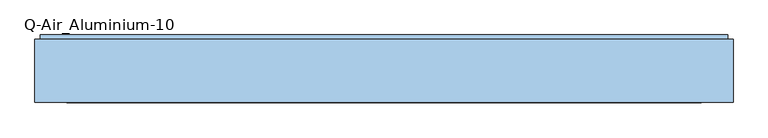
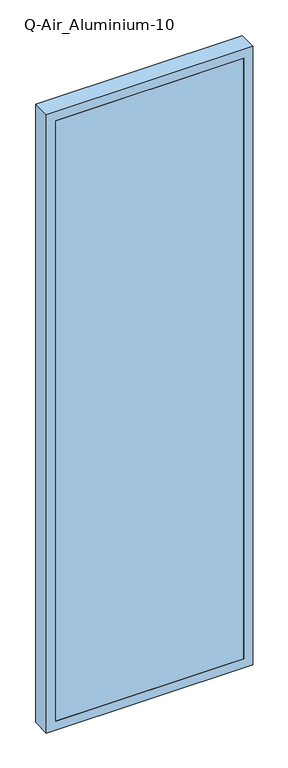
"""IFC4 building model written with IfcOpenShell, lengths in millimetres: window geometry, Q-Air_Aluminium-10."""

import ifcopenshell
import ifcopenshell.guid

model = None  # the IFC model being written
_history = None  # IfcOwnerHistory: only IFC2X3 demands one
_inside = {}  # id of a spatial element -> (the spatial element, [elements in it])
_under = {}  # id of a project, library or spatial element -> (it, [spatial elements below it])
_declared = {}  # id of a project -> (the project, [libraries it declares])
_typed = {}  # id of a type object -> (the type object, [elements of that type])
_made_of = {}  # id of a material, layer set ... -> (it, [elements and type objects made of it])


def new_model(schema):
    """Start an empty IFC model of exactly this schema.

    Asked for "IFC4X3", IfcOpenShell would pick the latest addendum, in which some entities
    have other attributes; the version numbers below select the first issue.
    IFC2X3 requires an IfcOwnerHistory on every rooted entity: one is made here for all.
    """
    global model, _history
    if schema == "IFC4X3":
        model = ifcopenshell.file(schema_version=(4, 3, 0, 0))
    else:
        model = ifcopenshell.file(schema=schema)
    _inside.clear()
    _under.clear()
    _declared.clear()
    _typed.clear()
    _made_of.clear()
    _history = None
    if model.schema == "IFC2X3":
        org = make("IfcOrganization", Name="unknown")
        user = make(
            "IfcPersonAndOrganization",
            ThePerson=make("IfcPerson", FamilyName="unknown"),
            TheOrganization=org,
        )
        app = make(
            "IfcApplication",
            ApplicationDeveloper=org,
            Version="unknown",
            ApplicationFullName="unknown",
            ApplicationIdentifier="unknown",
        )
        _history = make(
            "IfcOwnerHistory",
            OwningUser=user,
            OwningApplication=app,
            ChangeAction="ADDED",
            CreationDate=0,
        )
    return model


def make(cls, **values):
    """One entity of the class cls with the attributes given. An attribute that is None is left unset."""
    return model.create_entity(
        cls, **{name: value for name, value in values.items() if value is not None}
    )


def rooted(cls, **values):
    """An entity with a GlobalId (a new one), such as an element, a storey or a relation."""
    return make(cls, GlobalId=ifcopenshell.guid.new(), OwnerHistory=_history, **values)


def si_unit(unit_type, name, prefix=None):
    """IfcSIUnit, for example si_unit("LENGTHUNIT", "METRE", prefix="MILLI")."""
    return make("IfcSIUnit", UnitType=unit_type, Prefix=prefix, Name=name)


def assignment(units):
    """IfcUnitAssignment: the units of a project."""
    return None if units is None else make("IfcUnitAssignment", Units=units)


def point(xyz):
    """IfcCartesianPoint."""
    return None if xyz is None else make("IfcCartesianPoint", Coordinates=xyz)


def direction(xyz):
    """IfcDirection."""
    return None if xyz is None else make("IfcDirection", DirectionRatios=xyz)


def frame(location, z_axis=None, x_axis=None):
    """IfcAxis2Placement3D, a coordinate frame: its origin and axes. An axis left out is left unset."""
    return make(
        "IfcAxis2Placement3D",
        Location=point(location),
        Axis=direction(z_axis),
        RefDirection=direction(x_axis),
    )


def origin():
    """The frame at (0, 0, 0) with its axes left unset."""
    return frame((0.0, 0.0, 0.0))


def place(relative_to, where):
    """IfcLocalPlacement: puts the frame where relative to a parent placement (None: the world)."""
    return make(
        "IfcLocalPlacement", PlacementRelTo=relative_to, RelativePlacement=where
    )


def context(
    kind, dimensions, precision=None, world=None, true_north=None, identifier=None
):
    """IfcGeometricRepresentationContext, for example the 3D "Model" context."""
    return make(
        "IfcGeometricRepresentationContext",
        ContextIdentifier=identifier,
        ContextType=kind,
        CoordinateSpaceDimension=dimensions,
        Precision=precision,
        WorldCoordinateSystem=world,
        TrueNorth=true_north,
    )


def project(units=None, contexts=None):
    """IfcProject with its units and contexts."""
    return rooted(
        "IfcProject",
        Name="project",
        RepresentationContexts=contexts,
        UnitsInContext=assignment(units),
    )


def spatial(cls, under=None, at=None, **own):
    """A site, building, storey or space (cls), placed at a placement, below another one or the project."""
    s = rooted(cls, ObjectPlacement=at, **own)
    if under is not None:
        _under.setdefault(under.id(), (under, []))[1].append(s)
    return s


def polyline(points):
    """IfcPolyline through the points."""
    return make("IfcPolyline", Points=[point(p) for p in points])


def outline(outer, holes=None, kind="AREA"):
    """IfcArbitraryClosedProfileDef: a profile drawn as a closed curve; with holes, ...WithVoids."""
    if holes is None:
        return make("IfcArbitraryClosedProfileDef", ProfileType=kind, OuterCurve=outer)
    return make(
        "IfcArbitraryProfileDefWithVoids",
        ProfileType=kind,
        OuterCurve=outer,
        InnerCurves=holes,
    )


def extrude(swept, where, along, depth):
    """IfcExtrudedAreaSolid: the profile swept, set in the frame where, extruded along a direction by depth."""
    return make(
        "IfcExtrudedAreaSolid",
        SweptArea=swept,
        Position=where,
        ExtrudedDirection=direction(along),
        Depth=depth,
    )


def shape(context_of_items, identifier, shape_type, items):
    """IfcShapeRepresentation: the items that make up one representation, for example the "Body"."""
    return make(
        "IfcShapeRepresentation",
        ContextOfItems=context_of_items,
        RepresentationIdentifier=identifier,
        RepresentationType=shape_type,
        Items=items,
    )


def source(mapping_origin, context_of_items, identifier, shape_type, items):
    """IfcRepresentationMap: a shape defined once, which mapped items show again and again."""
    return make(
        "IfcRepresentationMap",
        MappingOrigin=mapping_origin,
        MappedRepresentation=shape(context_of_items, identifier, shape_type, items),
    )


def transform(
    local_origin,
    x_axis=None,
    y_axis=None,
    z_axis=None,
    scale=None,
    scale2=None,
    scale3=None,
    uniform=True,
):
    """IfcCartesianTransformationOperator3D, or its non-uniform kind. x_axis, y_axis, z_axis: its Axis1, 2, 3."""
    if uniform:
        return make(
            "IfcCartesianTransformationOperator3D",
            Axis1=direction(x_axis),
            Axis2=direction(y_axis),
            LocalOrigin=point(local_origin),
            Scale=scale,
            Axis3=direction(z_axis),
        )
    return make(
        "IfcCartesianTransformationOperator3DnonUniform",
        Axis1=direction(x_axis),
        Axis2=direction(y_axis),
        LocalOrigin=point(local_origin),
        Scale=scale,
        Axis3=direction(z_axis),
        Scale2=scale2,
        Scale3=scale3,
    )


def mapped(mapping_source, mapping_target):
    """IfcMappedItem: shows the shape of a source again, moved by a transform."""
    return make(
        "IfcMappedItem", MappingSource=mapping_source, MappingTarget=mapping_target
    )


def made_of(thing, what):
    """Note that an element or type object is made of a material, layer set ...; save() writes the relation."""
    if what is not None:
        _made_of.setdefault(what.id(), (what, []))[1].append(thing)
    return thing


def element(
    cls,
    number,
    at=None,
    inside=None,
    cuts=None,
    type_object=None,
    material=None,
    context=None,
    identifier="Body",
    shape_type=None,
    held_by="IfcProductDefinitionShape",
    body=None,
    shapes=None,
    **own,
):
    """One element of the class cls, such as IfcWall. Its Tag is "e" and its number.

    at: its placement. inside: the storey or other place that contains it. cuts: it is an
    opening in that element (IfcRelVoidsElement). A single representation is given by context,
    identifier, shape_type and body (its items); several are given by shapes. held_by: the class
    of the entity that holds the representations. save() writes the other relations.
    """
    e = rooted(cls, Tag="e%d" % number, ObjectPlacement=at, **own)
    if body is not None:
        shapes = [shape(context, identifier, shape_type, body)]
    if shapes is not None:
        e.Representation = make(held_by, Representations=shapes)
    if inside is not None:
        _inside.setdefault(inside.id(), (inside, []))[1].append(e)
    if cuts is not None:
        rooted(
            "IfcRelVoidsElement", RelatingBuildingElement=cuts, RelatedOpeningElement=e
        )
    if type_object is not None:
        _typed.setdefault(type_object.id(), (type_object, []))[1].append(e)
    return made_of(e, material)


def aggregate(whole, parts):
    """IfcRelAggregates: a whole, such as a stair, and the parts it consists of."""
    return rooted("IfcRelAggregates", RelatingObject=whole, RelatedObjects=parts)


def save(model, path):
    """Write the relations noted so far, then the file.

    IfcRelAggregates (storeys below a building ...), IfcRelContainedInSpatialStructure (elements
    in a storey), IfcRelDefinesByType, IfcRelAssociatesMaterial and IfcRelDeclares: one each for
    every whole, place, type object, material and project.
    """
    for whole, parts in _under.values():
        aggregate(whole, parts)
    for where, things in _inside.values():
        rooted(
            "IfcRelContainedInSpatialStructure",
            RelatedElements=things,
            RelatingStructure=where,
        )
    for kind, things in _typed.values():
        rooted("IfcRelDefinesByType", RelatedObjects=things, RelatingType=kind)
    for what, things in _made_of.values():
        rooted("IfcRelAssociatesMaterial", RelatedObjects=things, RelatingMaterial=what)
    for by, libraries in _declared.values():
        rooted("IfcRelDeclares", RelatingContext=by, RelatedDefinitions=libraries)
    model.write(path)


def q_air_aluminium_10_bd054d8a(model_context):
    return source(origin(), model_context, "Body", "SweptSolid", [
        extrude(outline(polyline([(4020.0, 635.0), (4020.0, -635.0), (0.0, -635.0), (0.0, 635.0), (4020.0, 635.0)]), holes=[polyline([(3962.0, 577.0), (58.0, 577.0), (58.0, -577.0), (3962.0, -577.0), (3962.0, 577.0)])]), frame((0.0, 0.0, 0.0), z_axis=(0.0, 1.0, 0.0), x_axis=(0.0, 0.0, 1.0)), (0.0, 0.0, 1.0), 114.5),
        extrude(outline(polyline([(577.0, 0.0), (-577.0, 0.0), (-577.0, 12.5), (577.0, 12.5), (577.0, 0.0)])), frame((0.0, 0.0, 58.0), z_axis=(0.0, 0.0, 1.0), x_axis=(1.0, 0.0, 0.0)), (0.0, 0.0, 1.0), 3904.0),
        extrude(outline(polyline([(625.0, 114.5), (-625.0, 114.5), (-625.0, 122.5), (625.0, 122.5), (625.0, 114.5)])), frame((0.0, 0.0, 10.0), z_axis=(0.0, 0.0, 1.0), x_axis=(1.0, 0.0, 0.0)), (0.0, 0.0, 1.0), 4000.0),
        extrude(outline(polyline([(4010.0, 625.0), (4010.0, -625.0), (10.0, -625.0), (10.0, 625.0), (4010.0, 625.0)]), holes=[polyline([(3962.0, 577.0), (58.0, 577.0), (58.0, -577.0), (3962.0, -577.0), (3962.0, 577.0)])]), frame((0.0, 114.5, 0.0), z_axis=(0.0, 1.0, 0.0), x_axis=(0.0, 0.0, 1.0)), (0.0, 0.0, 1.0), 4.0),
    ])


if __name__ == "__main__":
    model = new_model("IFC4")
    model_context = context("Model", 3, world=origin())
    ifc_project = project(units=[si_unit("LENGTHUNIT", "METRE", prefix="MILLI")], contexts=[model_context])
    site = spatial("IfcSite", under=ifc_project)
    building = spatial("IfcBuilding", under=site)
    placement = place(None, origin())
    q_air_aluminium_10_shape = q_air_aluminium_10_bd054d8a(model_context)
    element("IfcWindow", 1, ObjectType="Q-Air_Aluminium-10", at=placement, inside=building, context=model_context, shape_type="MappedRepresentation", body=[
        mapped(q_air_aluminium_10_shape, transform((0.0, 0.0, 0.0), x_axis=(1.0, 0.0, 0.0), y_axis=(0.0, 1.0, 0.0), z_axis=(0.0, 0.0, 1.0))),
    ])
    save(model, "model.ifc")
